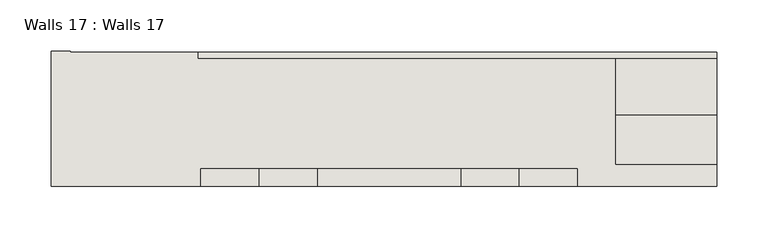
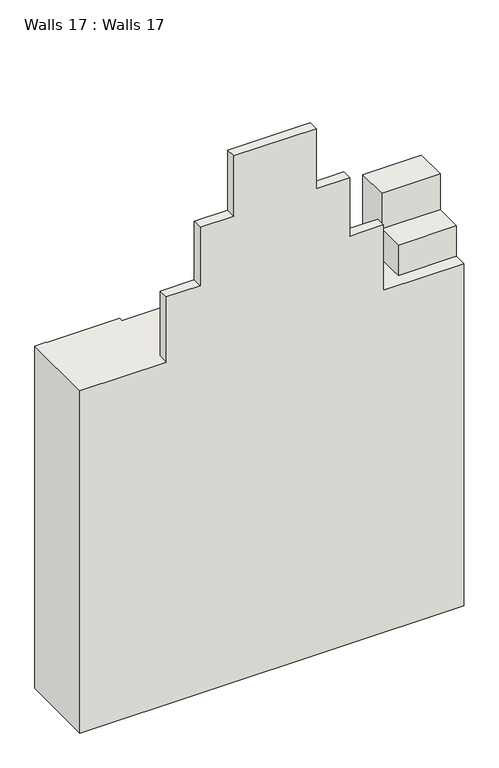
"""IFC4 building model written with IfcOpenShell, lengths in millimetres: wall geometry, Walls 17 : Walls 17."""

from ifc_helpers import new_model, si_unit, origin, place, context, project, spatial, faceted_brep, source, transform, mapped, element, save


def walls_17_walls_17_92062cd0(model_context):
    return source(origin(), model_context, "Body", "Brep", [
        faceted_brep([(-5620.8364616, -9375.4604628, -10822.5576703), (-5620.8364616, -9507.8251045, -10822.5576703), (-5474.4215121, -9507.8251045, -10822.5576703), (-5474.4215121, -9490.6811541, -10822.5576703), (-5105.9762035, -9490.6811541, -10822.5576703), (-5105.9762035, -9507.8251045, -10822.5576703), (-4969.4969605, -9507.8251045, -10822.5576703), (-4969.4969605, -9486.0176298, -10822.5576703), (-5068.6457962, -9486.0176298, -10822.5576703), (-5068.6457962, -9382.7311541, -10822.5576703), (-5477.4969605, -9382.7311541, -10822.5576703), (-5477.4969605, -9376.3811541, -10822.5576703), (-5602.0457962, -9376.3811541, -10822.5576703), (-5602.0457962, -9375.4604628, -10822.5576703), (-4969.4969605, -9376.3811541, -11436.35), (-4969.4969605, -9490.6811541, -11436.35), (-4969.4969605, -9507.8251045, -11436.35), (-5620.8364616, -9507.8251045, -11436.35), (-5620.8364616, -9375.4604628, -11436.35), (-5602.0457962, -9375.4604628, -11436.35), (-5602.0457962, -9376.3811541, -11436.35), (-5068.6457962, -9376.3811541, -11436.35), (-5477.4969605, -9376.3811541, -11277.6), (-5068.6457962, -9376.3811541, -11277.6), (-4969.4969605, -9376.3811541, -11277.6), (-5105.9762035, -9507.8251045, -10705.2131533), (-5163.1262035, -9507.8251045, -10705.2131533), (-5163.1262035, -9507.8251045, -10600.4381533), (-5220.2762035, -9507.8251045, -10600.4381533), (-5220.2762035, -9507.8251045, -10492.4881533), (-5359.9762035, -9507.8251045, -10492.4881533), (-5359.9762035, -9507.8251045, -10600.4381533), (-5417.1262035, -9507.8251045, -10600.4381533), (-5417.1262035, -9507.8251045, -10705.2131533), (-5474.4215121, -9507.8251045, -10705.2131533), (-4969.4969605, -9382.7311541, -11277.6), (-4969.4969605, -9382.7311541, -10703.8550877), (-4969.4969605, -9437.5988798, -10703.8550877), (-4969.4969605, -9437.5988798, -10768.1488377), (-4969.4969605, -9486.0176298, -10768.1488377), (-5474.4215121, -9490.6811541, -10705.2131533), (-5417.1262035, -9490.6811541, -10705.2131533), (-5417.1262035, -9490.6811541, -10600.4381533), (-5359.9762035, -9490.6811541, -10600.4381533), (-5359.9762035, -9490.6811541, -10492.4881533), (-5220.2762035, -9490.6811541, -10492.4881533), (-5220.2762035, -9490.6811541, -10600.4381533), (-5163.1262035, -9490.6811541, -10600.4381533), (-5163.1262035, -9490.6811541, -10705.2131533), (-5105.9762035, -9490.6811541, -10705.2131533), (-5068.6457962, -9486.0176298, -10768.1488377), (-5068.6457962, -9437.5988798, -10768.1488377), (-5068.6457962, -9437.5988798, -10703.8550877), (-5068.6457962, -9382.7311541, -10703.8550877), (-5477.4969605, -9382.7311541, -11277.6)], [[[0, 1, 2, 3, 4, 5, 6, 7, 8, 9, 10, 11, 12, 13]], [[14, 15, 16, 17, 18, 19, 20, 21]], [[14, 21, 20, 12, 11, 22, 23, 24]], [[1, 0, 18, 17]], [[17, 16, 6, 5, 25, 26, 27, 28, 29, 30, 31, 32, 33, 34, 2, 1]], [[16, 15, 14, 24, 35, 36, 37, 38, 39, 7, 6]], [[13, 12, 20, 19]], [[0, 13, 19, 18]], [[3, 40, 41, 42, 43, 44, 45, 46, 47, 48, 49, 4]], [[25, 5, 4, 49]], [[26, 25, 49, 48]], [[27, 26, 48, 47]], [[28, 27, 47, 46]], [[29, 28, 46, 45]], [[30, 29, 45, 44]], [[31, 30, 44, 43]], [[32, 31, 43, 42]], [[33, 32, 42, 41]], [[34, 33, 41, 40]], [[2, 34, 40, 3]], [[9, 8, 50, 51, 52, 53]], [[39, 38, 51, 50]], [[8, 7, 39, 50]], [[35, 54, 10, 9, 53, 36]], [[37, 36, 53, 52]], [[38, 37, 52, 51]], [[10, 54, 22, 11]], [[54, 35, 24, 23, 22]]]),
    ])


if __name__ == "__main__":
    model = new_model("IFC4")
    model_context = context("Model", 3, world=origin())
    ifc_project = project(units=[si_unit("LENGTHUNIT", "METRE", prefix="MILLI")], contexts=[model_context])
    site = spatial("IfcSite", under=ifc_project)
    building = spatial("IfcBuilding", under=site)
    placement = place(None, origin())
    walls_17_walls_17_shape = walls_17_walls_17_92062cd0(model_context)
    element("IfcWall", 1, ObjectType="Walls 17 : Walls 17", at=placement, inside=building, context=model_context, shape_type="MappedRepresentation", body=[
        mapped(walls_17_walls_17_shape, transform((0.0, 0.0, 0.0), x_axis=(1.0, 0.0, 0.0), y_axis=(0.0, 1.0, 0.0), z_axis=(0.0, 0.0, 1.0))),
    ])
    save(model, "model.ifc")
